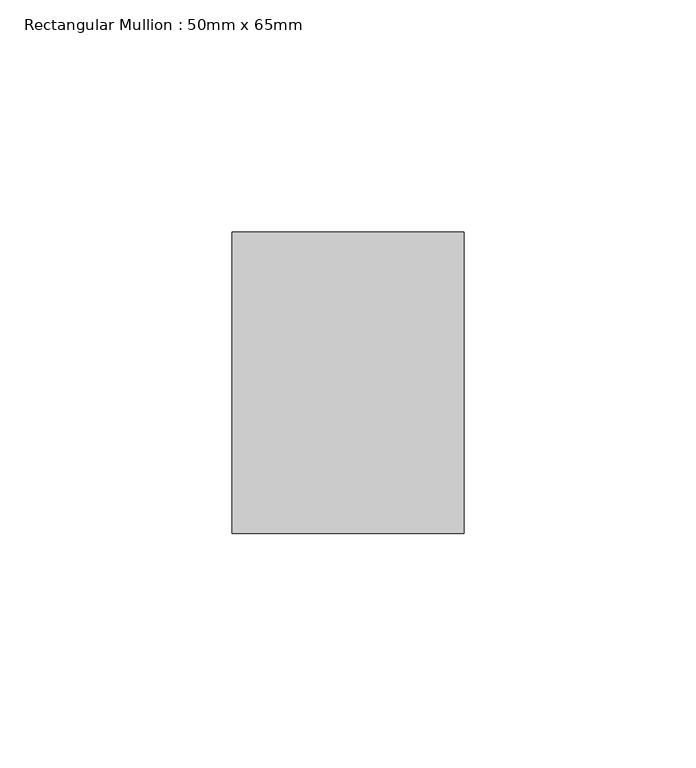
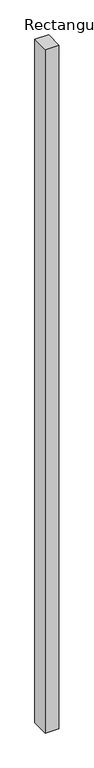
"""IFC4 building model written with IfcOpenShell, lengths in millimetres: member geometry, Rectangular Mullion : 50mm x 65mm."""

import ifcopenshell
import ifcopenshell.guid

model = None  # the IFC model being written
_history = None  # IfcOwnerHistory: only IFC2X3 demands one
_inside = {}  # id of a spatial element -> (the spatial element, [elements in it])
_under = {}  # id of a project, library or spatial element -> (it, [spatial elements below it])
_declared = {}  # id of a project -> (the project, [libraries it declares])
_typed = {}  # id of a type object -> (the type object, [elements of that type])
_made_of = {}  # id of a material, layer set ... -> (it, [elements and type objects made of it])


def new_model(schema):
    """Start an empty IFC model of exactly this schema.

    Asked for "IFC4X3", IfcOpenShell would pick the latest addendum, in which some entities
    have other attributes; the version numbers below select the first issue.
    IFC2X3 requires an IfcOwnerHistory on every rooted entity: one is made here for all.
    """
    global model, _history
    if schema == "IFC4X3":
        model = ifcopenshell.file(schema_version=(4, 3, 0, 0))
    else:
        model = ifcopenshell.file(schema=schema)
    _inside.clear()
    _under.clear()
    _declared.clear()
    _typed.clear()
    _made_of.clear()
    _history = None
    if model.schema == "IFC2X3":
        org = make("IfcOrganization", Name="unknown")
        user = make(
            "IfcPersonAndOrganization",
            ThePerson=make("IfcPerson", FamilyName="unknown"),
            TheOrganization=org,
        )
        app = make(
            "IfcApplication",
            ApplicationDeveloper=org,
            Version="unknown",
            ApplicationFullName="unknown",
            ApplicationIdentifier="unknown",
        )
        _history = make(
            "IfcOwnerHistory",
            OwningUser=user,
            OwningApplication=app,
            ChangeAction="ADDED",
            CreationDate=0,
        )
    return model


def make(cls, **values):
    """One entity of the class cls with the attributes given. An attribute that is None is left unset."""
    return model.create_entity(
        cls, **{name: value for name, value in values.items() if value is not None}
    )


def rooted(cls, **values):
    """An entity with a GlobalId (a new one), such as an element, a storey or a relation."""
    return make(cls, GlobalId=ifcopenshell.guid.new(), OwnerHistory=_history, **values)


def si_unit(unit_type, name, prefix=None):
    """IfcSIUnit, for example si_unit("LENGTHUNIT", "METRE", prefix="MILLI")."""
    return make("IfcSIUnit", UnitType=unit_type, Prefix=prefix, Name=name)


def assignment(units):
    """IfcUnitAssignment: the units of a project."""
    return None if units is None else make("IfcUnitAssignment", Units=units)


def point(xyz):
    """IfcCartesianPoint."""
    return None if xyz is None else make("IfcCartesianPoint", Coordinates=xyz)


def direction(xyz):
    """IfcDirection."""
    return None if xyz is None else make("IfcDirection", DirectionRatios=xyz)


def frame(location, z_axis=None, x_axis=None):
    """IfcAxis2Placement3D, a coordinate frame: its origin and axes. An axis left out is left unset."""
    return make(
        "IfcAxis2Placement3D",
        Location=point(location),
        Axis=direction(z_axis),
        RefDirection=direction(x_axis),
    )


def origin():
    """The frame at (0, 0, 0) with its axes left unset."""
    return frame((0.0, 0.0, 0.0))


def place(relative_to, where):
    """IfcLocalPlacement: puts the frame where relative to a parent placement (None: the world)."""
    return make(
        "IfcLocalPlacement", PlacementRelTo=relative_to, RelativePlacement=where
    )


def context(
    kind, dimensions, precision=None, world=None, true_north=None, identifier=None
):
    """IfcGeometricRepresentationContext, for example the 3D "Model" context."""
    return make(
        "IfcGeometricRepresentationContext",
        ContextIdentifier=identifier,
        ContextType=kind,
        CoordinateSpaceDimension=dimensions,
        Precision=precision,
        WorldCoordinateSystem=world,
        TrueNorth=true_north,
    )


def project(units=None, contexts=None):
    """IfcProject with its units and contexts."""
    return rooted(
        "IfcProject",
        Name="project",
        RepresentationContexts=contexts,
        UnitsInContext=assignment(units),
    )


def spatial(cls, under=None, at=None, **own):
    """A site, building, storey or space (cls), placed at a placement, below another one or the project."""
    s = rooted(cls, ObjectPlacement=at, **own)
    if under is not None:
        _under.setdefault(under.id(), (under, []))[1].append(s)
    return s


def polyline(points):
    """IfcPolyline through the points."""
    return make("IfcPolyline", Points=[point(p) for p in points])


def outline(outer, holes=None, kind="AREA"):
    """IfcArbitraryClosedProfileDef: a profile drawn as a closed curve; with holes, ...WithVoids."""
    if holes is None:
        return make("IfcArbitraryClosedProfileDef", ProfileType=kind, OuterCurve=outer)
    return make(
        "IfcArbitraryProfileDefWithVoids",
        ProfileType=kind,
        OuterCurve=outer,
        InnerCurves=holes,
    )


def extrude(swept, where, along, depth):
    """IfcExtrudedAreaSolid: the profile swept, set in the frame where, extruded along a direction by depth."""
    return make(
        "IfcExtrudedAreaSolid",
        SweptArea=swept,
        Position=where,
        ExtrudedDirection=direction(along),
        Depth=depth,
    )


def shape(context_of_items, identifier, shape_type, items):
    """IfcShapeRepresentation: the items that make up one representation, for example the "Body"."""
    return make(
        "IfcShapeRepresentation",
        ContextOfItems=context_of_items,
        RepresentationIdentifier=identifier,
        RepresentationType=shape_type,
        Items=items,
    )


def source(mapping_origin, context_of_items, identifier, shape_type, items):
    """IfcRepresentationMap: a shape defined once, which mapped items show again and again."""
    return make(
        "IfcRepresentationMap",
        MappingOrigin=mapping_origin,
        MappedRepresentation=shape(context_of_items, identifier, shape_type, items),
    )


def transform(
    local_origin,
    x_axis=None,
    y_axis=None,
    z_axis=None,
    scale=None,
    scale2=None,
    scale3=None,
    uniform=True,
):
    """IfcCartesianTransformationOperator3D, or its non-uniform kind. x_axis, y_axis, z_axis: its Axis1, 2, 3."""
    if uniform:
        return make(
            "IfcCartesianTransformationOperator3D",
            Axis1=direction(x_axis),
            Axis2=direction(y_axis),
            LocalOrigin=point(local_origin),
            Scale=scale,
            Axis3=direction(z_axis),
        )
    return make(
        "IfcCartesianTransformationOperator3DnonUniform",
        Axis1=direction(x_axis),
        Axis2=direction(y_axis),
        LocalOrigin=point(local_origin),
        Scale=scale,
        Axis3=direction(z_axis),
        Scale2=scale2,
        Scale3=scale3,
    )


def mapped(mapping_source, mapping_target):
    """IfcMappedItem: shows the shape of a source again, moved by a transform."""
    return make(
        "IfcMappedItem", MappingSource=mapping_source, MappingTarget=mapping_target
    )


def made_of(thing, what):
    """Note that an element or type object is made of a material, layer set ...; save() writes the relation."""
    if what is not None:
        _made_of.setdefault(what.id(), (what, []))[1].append(thing)
    return thing


def element(
    cls,
    number,
    at=None,
    inside=None,
    cuts=None,
    type_object=None,
    material=None,
    context=None,
    identifier="Body",
    shape_type=None,
    held_by="IfcProductDefinitionShape",
    body=None,
    shapes=None,
    **own,
):
    """One element of the class cls, such as IfcWall. Its Tag is "e" and its number.

    at: its placement. inside: the storey or other place that contains it. cuts: it is an
    opening in that element (IfcRelVoidsElement). A single representation is given by context,
    identifier, shape_type and body (its items); several are given by shapes. held_by: the class
    of the entity that holds the representations. save() writes the other relations.
    """
    e = rooted(cls, Tag="e%d" % number, ObjectPlacement=at, **own)
    if body is not None:
        shapes = [shape(context, identifier, shape_type, body)]
    if shapes is not None:
        e.Representation = make(held_by, Representations=shapes)
    if inside is not None:
        _inside.setdefault(inside.id(), (inside, []))[1].append(e)
    if cuts is not None:
        rooted(
            "IfcRelVoidsElement", RelatingBuildingElement=cuts, RelatedOpeningElement=e
        )
    if type_object is not None:
        _typed.setdefault(type_object.id(), (type_object, []))[1].append(e)
    return made_of(e, material)


def aggregate(whole, parts):
    """IfcRelAggregates: a whole, such as a stair, and the parts it consists of."""
    return rooted("IfcRelAggregates", RelatingObject=whole, RelatedObjects=parts)


def save(model, path):
    """Write the relations noted so far, then the file.

    IfcRelAggregates (storeys below a building ...), IfcRelContainedInSpatialStructure (elements
    in a storey), IfcRelDefinesByType, IfcRelAssociatesMaterial and IfcRelDeclares: one each for
    every whole, place, type object, material and project.
    """
    for whole, parts in _under.values():
        aggregate(whole, parts)
    for where, things in _inside.values():
        rooted(
            "IfcRelContainedInSpatialStructure",
            RelatedElements=things,
            RelatingStructure=where,
        )
    for kind, things in _typed.values():
        rooted("IfcRelDefinesByType", RelatedObjects=things, RelatingType=kind)
    for what, things in _made_of.values():
        rooted("IfcRelAssociatesMaterial", RelatedObjects=things, RelatingMaterial=what)
    for by, libraries in _declared.values():
        rooted("IfcRelDeclares", RelatingContext=by, RelatedDefinitions=libraries)
    model.write(path)


def rectangular_mullion_50mm_x_65mm_f5f4f12a(model_context):
    return source(origin(), model_context, "Body", "SweptSolid", [
        extrude(outline(polyline([(25.0, 32.5), (25.0, -32.5), (-25.0, -32.5), (-25.0, 32.5), (25.0, 32.5)])), frame((0.0, 0.0, -2625.0748278), z_axis=(0.0, 0.0, 1.0), x_axis=(1.0, 0.0, 0.0)), (0.0, 0.0, 1.0), 2625.0748278),
    ])


if __name__ == "__main__":
    model = new_model("IFC4")
    model_context = context("Model", 3, world=origin())
    ifc_project = project(units=[si_unit("LENGTHUNIT", "METRE", prefix="MILLI")], contexts=[model_context])
    site = spatial("IfcSite", under=ifc_project)
    building = spatial("IfcBuilding", under=site)
    placement = place(None, origin())
    rectangular_mullion_50mm_x_65mm_shape = rectangular_mullion_50mm_x_65mm_f5f4f12a(model_context)
    element("IfcMember", 1, ObjectType="Rectangular Mullion : 50mm x 65mm", at=placement, inside=building, context=model_context, shape_type="MappedRepresentation", body=[
        mapped(rectangular_mullion_50mm_x_65mm_shape, transform((0.0, 0.0, 0.0), x_axis=(1.0, 0.0, 0.0), y_axis=(0.0, 1.0, 0.0), z_axis=(0.0, 0.0, 1.0))),
    ])
    save(model, "model.ifc")
